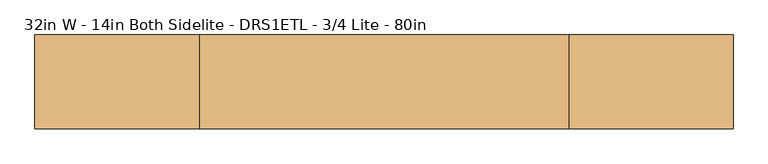
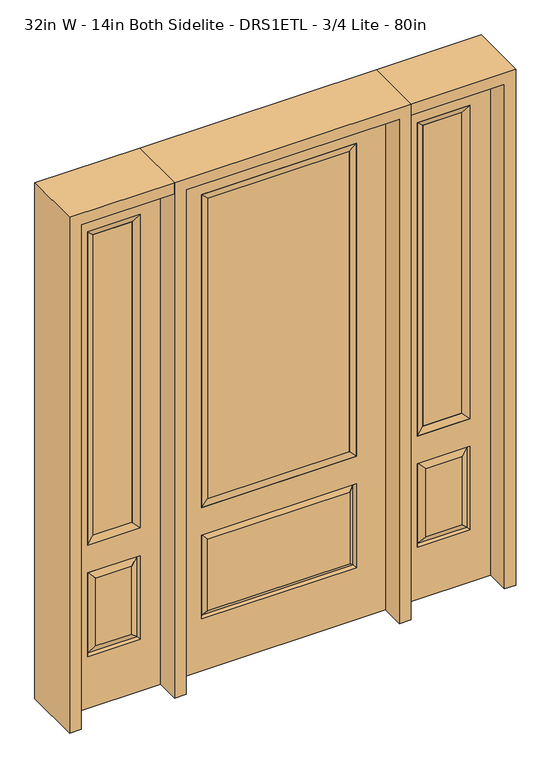
"""IFC4 building model written with IfcOpenShell, lengths in millimetres: door geometry, 32in W - 14in Both Sidelite - DRS1ETL - 3/4 Lite - 80in."""

from ifc_helpers import new_model, si_unit, frame, origin, place, context, project, spatial, polyline, outline, extrude, faceted_brep, source, transform, mapped, element, save


def door_32in_w_14in_both_sidelite_drs1etl_3_4_lite_80in_7dba1b9e(model_context):
    return source(origin(), model_context, "Body", "SolidModel", [
        faceted_brep([(450.85, -22.225, 0.0), (806.45, -22.225, 0.0), (806.45, -22.225, 2032.0), (450.85, -22.225, 2032.0), (728.98, -22.225, 1919.224), (728.98, -22.225, 657.098), (528.32, -22.225, 657.098), (528.32, -22.225, 1919.224), (728.98, -22.225, 209.55), (528.32, -22.225, 209.55), (528.32, -22.225, 546.1), (728.98, -22.225, 546.1), (560.0351001, -22.225, 241.2651001), (697.2648999, -22.225, 241.2651001), (697.2648999, -22.225, 514.3848999), (560.0351001, -22.225, 514.3848999), (450.85, 22.225, 0.0), (450.85, 22.225, 2032.0), (806.45, 22.225, 2032.0), (806.45, 22.225, 0.0), (728.98, 22.225, 1919.224), (528.32, 22.225, 1919.224), (528.32, 22.225, 657.098), (728.98, 22.225, 657.098), (528.32, 22.225, 209.55), (728.98, 22.225, 209.55), (728.98, 22.225, 546.1), (528.32, 22.225, 546.1), (697.2648999, 22.225, 241.2651001), (560.0351001, 22.225, 241.2651001), (560.0351001, 22.225, 514.3848999), (697.2648999, 22.225, 514.3848999), (721.8711499, 12.7912373, 216.6588501), (535.4288501, 12.7912373, 216.6588501), (535.4288501, 12.7912373, 538.9911499), (721.8711499, 12.7912373, 538.9911499), (535.4288501, -12.7912373, 216.6588501), (721.8711499, -12.7912373, 216.6588501), (535.4288501, -12.7912373, 538.9911499), (721.8711499, -12.7912373, 538.9911499)], [[[0, 1, 2, 3], [4, 5, 6, 7], [8, 9, 10, 11]], [[12, 13, 14, 15]], [[16, 17, 18, 19], [20, 21, 22, 23], [24, 25, 26, 27]], [[28, 29, 30, 31]], [[1, 0, 16, 19]], [[2, 1, 19, 18]], [[3, 2, 18, 17]], [[0, 3, 17, 16]], [[5, 4, 20, 23]], [[6, 5, 23, 22]], [[7, 6, 22, 21]], [[4, 7, 21, 20]], [[32, 33, 29, 28]], [[33, 32, 25, 24]], [[29, 33, 34, 30]], [[33, 24, 27, 34]], [[30, 34, 35, 31]], [[34, 27, 26, 35]], [[32, 28, 31, 35]], [[25, 32, 35, 26]], [[12, 36, 37, 13]], [[37, 36, 9, 8]], [[36, 12, 15, 38]], [[9, 36, 38, 10]], [[38, 15, 14, 39]], [[10, 38, 39, 11]], [[13, 37, 39, 14]], [[37, 8, 11, 39]]]),
        faceted_brep([(528.32, 22.225, 1919.224), (528.32, -22.225, 1919.224), (728.98, -22.225, 1919.224), (728.98, 22.225, 1919.224), (553.72, 12.7, 1893.824), (703.58, 12.7, 1893.824), (553.72, -12.7, 1893.824), (703.58, -12.7, 1893.824), (728.98, -22.225, 657.098), (728.98, 22.225, 657.098), (703.58, 12.7, 682.498), (703.58, -12.7, 682.498), (528.32, -22.225, 657.098), (528.32, 22.225, 657.098), (553.72, 12.7, 682.498), (553.72, -12.7, 682.498)], [[[0, 1, 2, 3]], [[4, 0, 3, 5]], [[6, 4, 5, 7]], [[1, 6, 7, 2]], [[3, 2, 8, 9]], [[5, 3, 9, 10]], [[7, 5, 10, 11]], [[2, 7, 11, 8]], [[9, 8, 12, 13]], [[10, 9, 13, 14]], [[11, 10, 14, 15]], [[8, 11, 15, 12]], [[13, 12, 1, 0]], [[14, 13, 0, 4]], [[15, 14, 4, 6]], [[12, 15, 6, 1]]]),
        extrude(outline(polyline([(703.58, -12.7), (553.72, -12.7), (553.72, 12.7), (703.58, 12.7), (703.58, -12.7)])), frame((0.0, 0.0, 682.498), z_axis=(0.0, 0.0, 1.0), x_axis=(1.0, 0.0, 0.0)), (0.0, 0.0, 1.0), 1211.326),
        faceted_brep([(-806.45, -22.225, 0.0), (-450.85, -22.225, 0.0), (-450.85, -22.225, 2032.0), (-806.45, -22.225, 2032.0), (-528.32, -22.225, 1919.224), (-528.32, -22.225, 657.098), (-728.98, -22.225, 657.098), (-728.98, -22.225, 1919.224), (-528.32, -22.225, 209.55), (-728.98, -22.225, 209.55), (-728.98, -22.225, 546.1), (-528.32, -22.225, 546.1), (-697.2648999, -22.225, 241.2651001), (-560.0351001, -22.225, 241.2651001), (-560.0351001, -22.225, 514.3848999), (-697.2648999, -22.225, 514.3848999), (-806.45, 22.225, 0.0), (-806.45, 22.225, 2032.0), (-450.85, 22.225, 2032.0), (-450.85, 22.225, 0.0), (-528.32, 22.225, 1919.224), (-728.98, 22.225, 1919.224), (-728.98, 22.225, 657.098), (-528.32, 22.225, 657.098), (-728.98, 22.225, 209.55), (-528.32, 22.225, 209.55), (-528.32, 22.225, 546.1), (-728.98, 22.225, 546.1), (-560.0351001, 22.225, 241.2651001), (-697.2648999, 22.225, 241.2651001), (-697.2648999, 22.225, 514.3848999), (-560.0351001, 22.225, 514.3848999), (-535.4288501, 12.7912373, 216.6588501), (-721.8711499, 12.7912373, 216.6588501), (-721.8711499, 12.7912373, 538.9911499), (-535.4288501, 12.7912373, 538.9911499), (-721.8711499, -12.7912373, 216.6588501), (-535.4288501, -12.7912373, 216.6588501), (-721.8711499, -12.7912373, 538.9911499), (-535.4288501, -12.7912373, 538.9911499)], [[[0, 1, 2, 3], [4, 5, 6, 7], [8, 9, 10, 11]], [[12, 13, 14, 15]], [[16, 17, 18, 19], [20, 21, 22, 23], [24, 25, 26, 27]], [[28, 29, 30, 31]], [[1, 0, 16, 19]], [[2, 1, 19, 18]], [[3, 2, 18, 17]], [[0, 3, 17, 16]], [[5, 4, 20, 23]], [[6, 5, 23, 22]], [[7, 6, 22, 21]], [[4, 7, 21, 20]], [[32, 33, 29, 28]], [[33, 32, 25, 24]], [[29, 33, 34, 30]], [[33, 24, 27, 34]], [[30, 34, 35, 31]], [[34, 27, 26, 35]], [[32, 28, 31, 35]], [[25, 32, 35, 26]], [[12, 36, 37, 13]], [[37, 36, 9, 8]], [[36, 12, 15, 38]], [[9, 36, 38, 10]], [[38, 15, 14, 39]], [[10, 38, 39, 11]], [[13, 37, 39, 14]], [[37, 8, 11, 39]]]),
        faceted_brep([(-728.98, 22.225, 1919.224), (-728.98, -22.225, 1919.224), (-528.32, -22.225, 1919.224), (-528.32, 22.225, 1919.224), (-703.58, 12.7, 1893.824), (-553.72, 12.7, 1893.824), (-703.58, -12.7, 1893.824), (-553.72, -12.7, 1893.824), (-528.32, -22.225, 657.098), (-528.32, 22.225, 657.098), (-553.72, 12.7, 682.498), (-553.72, -12.7, 682.498), (-728.98, -22.225, 657.098), (-728.98, 22.225, 657.098), (-703.58, 12.7, 682.498), (-703.58, -12.7, 682.498)], [[[0, 1, 2, 3]], [[4, 0, 3, 5]], [[6, 4, 5, 7]], [[1, 6, 7, 2]], [[3, 2, 8, 9]], [[5, 3, 9, 10]], [[7, 5, 10, 11]], [[2, 7, 11, 8]], [[9, 8, 12, 13]], [[10, 9, 13, 14]], [[11, 10, 14, 15]], [[8, 11, 15, 12]], [[13, 12, 1, 0]], [[14, 13, 0, 4]], [[15, 14, 4, 6]], [[12, 15, 6, 1]]]),
        extrude(outline(polyline([(-553.72, -12.7), (-703.58, -12.7), (-703.58, 12.7), (-553.72, 12.7), (-553.72, -12.7)])), frame((0.0, 0.0, 682.498), z_axis=(0.0, 0.0, 1.0), x_axis=(1.0, 0.0, 0.0)), (0.0, 0.0, 1.0), 1211.326),
        faceted_brep([(-288.1661499, -12.7912373, 216.6588501), (288.1661499, -12.7912373, 216.6588501), (270.66875, -22.225, 234.15625), (-270.66875, -22.225, 234.15625), (-295.275, -22.225, 209.55), (295.275, -22.225, 209.55), (-288.1661499, -12.7912373, 538.9911499), (-295.275, -22.225, 546.1), (270.66875, -22.225, 521.49375), (-270.66875, -22.225, 521.49375), (406.4, -22.225, 2032.0), (-406.4, -22.225, 2032.0), (-406.4, -22.225, 0.0), (406.4, -22.225, 0.0), (295.275, -22.225, 546.1), (295.275, -22.225, 1917.7), (295.275, -22.225, 657.098), (-295.275, -22.225, 657.098), (-295.275, -22.225, 1917.7), (288.1661499, -12.7912373, 538.9911499), (-406.4, 22.225, 2032.0), (-406.4, 22.225, 0.0), (406.4, 22.225, 0.0), (406.4, 22.225, 2032.0), (295.275, 22.225, 1917.7), (295.275, 22.225, 657.098), (-295.275, 22.225, 657.098), (-295.275, 22.225, 1917.7), (-295.275, 22.225, 209.55), (295.275, 22.225, 209.55), (295.275, 22.225, 546.1), (-295.275, 22.225, 546.1), (270.66875, 22.225, 234.15625), (-270.66875, 22.225, 234.15625), (-270.66875, 22.225, 521.49375), (270.66875, 22.225, 521.49375), (-288.1661499, 12.7912373, 216.6588501), (288.1661499, 12.7912373, 216.6588501), (288.1661499, 12.7912373, 538.9911499), (-288.1661499, 12.7912373, 538.9911499)], [[[0, 1, 2, 3]], [[1, 0, 4, 5]], [[4, 0, 6, 7]], [[3, 2, 8, 9]], [[10, 11, 12, 13], [5, 4, 7, 14], [15, 16, 17, 18]], [[1, 5, 14, 19]], [[2, 1, 19, 8]], [[0, 3, 9, 6]], [[7, 6, 19, 14]], [[6, 9, 8, 19]], [[12, 11, 20, 21]], [[13, 12, 21, 22]], [[10, 13, 22, 23]], [[16, 15, 24, 25]], [[17, 16, 25, 26]], [[18, 17, 26, 27]], [[23, 22, 21, 20], [28, 29, 30, 31], [24, 27, 26, 25]], [[32, 33, 34, 35]], [[28, 36, 37, 29]], [[29, 37, 38, 30]], [[39, 31, 30, 38]], [[36, 28, 31, 39]], [[37, 36, 33, 32]], [[33, 36, 39, 34]], [[34, 39, 38, 35]], [[37, 32, 35, 38]], [[11, 10, 23, 20]], [[15, 18, 27, 24]]]),
        faceted_brep([(-295.275, -22.225, 1917.7), (-295.275, 22.225, 1917.7), (-295.275, 22.225, 657.098), (-295.275, -22.225, 657.098), (295.275, 22.225, 657.098), (295.275, -22.225, 657.098), (-269.875, 5.08, 682.498), (269.875, 5.08, 682.498), (295.275, 22.225, 1917.7), (295.275, -22.225, 1917.7), (-269.875, -20.32, 682.498), (269.875, -20.32, 682.498), (-269.875, -20.32, 1892.3), (269.875, -20.32, 1892.3), (-269.875, 5.08, 1892.3), (269.875, 5.08, 1892.3)], [[[0, 1, 2, 3]], [[3, 2, 4, 5]], [[2, 6, 7, 4]], [[5, 4, 8, 9]], [[10, 3, 5, 11]], [[12, 0, 3, 10]], [[11, 5, 9, 13]], [[6, 10, 11, 7]], [[14, 12, 10, 6]], [[7, 11, 13, 15]], [[1, 14, 6, 2]], [[4, 7, 15, 8]], [[9, 8, 1, 0]], [[13, 9, 0, 12]], [[15, 13, 12, 14]], [[8, 15, 14, 1]]]),
        extrude(outline(polyline([(269.875, -20.32), (-269.875, -20.32), (-269.875, 5.08), (269.875, 5.08), (269.875, -20.32)])), frame((0.0, 0.0, 682.498), z_axis=(0.0, 0.0, 1.0), x_axis=(1.0, 0.0, 0.0)), (0.0, 0.0, 1.0), 1209.802),
        extrude(outline(polyline([(2032.0, -450.85), (2076.45, -450.85), (2076.45, -850.9), (0.0, -850.9), (0.0, -806.45), (2032.0, -806.45), (2032.0, -450.85)])), frame((0.0, -114.3, 0.0), z_axis=(0.0, 1.0, 0.0), x_axis=(0.0, 0.0, 1.0)), (0.0, 0.0, 1.0), 228.6),
        extrude(outline(polyline([(2076.45, -450.85), (0.0, -450.85), (0.0, -406.4), (2032.0, -406.4), (2032.0, 406.4), (0.0, 406.4), (0.0, 450.85), (2076.45, 450.85), (2076.45, -450.85)])), frame((0.0, -114.3, 0.0), z_axis=(0.0, 1.0, 0.0), x_axis=(0.0, 0.0, 1.0)), (0.0, 0.0, 1.0), 228.6),
        extrude(outline(polyline([(0.0, 806.45), (0.0, 850.9), (2076.45, 850.9), (2076.45, 450.85), (2032.0, 450.85), (2032.0, 806.45), (0.0, 806.45)])), frame((0.0, -114.3, 0.0), z_axis=(0.0, 1.0, 0.0), x_axis=(0.0, 0.0, 1.0)), (0.0, 0.0, 1.0), 228.6),
    ])


if __name__ == "__main__":
    model = new_model("IFC4")
    model_context = context("Model", 3, world=origin())
    ifc_project = project(units=[si_unit("LENGTHUNIT", "METRE", prefix="MILLI")], contexts=[model_context])
    site = spatial("IfcSite", under=ifc_project)
    building = spatial("IfcBuilding", under=site)
    placement = place(None, origin())
    door_32in_w_14in_both_sidelite_drs1etl_3_4_lite_80in_shape = door_32in_w_14in_both_sidelite_drs1etl_3_4_lite_80in_7dba1b9e(model_context)
    element("IfcDoor", 1, ObjectType="32in W - 14in Both Sidelite - DRS1ETL - 3/4 Lite - 80in", at=placement, inside=building, context=model_context, shape_type="MappedRepresentation", body=[
        mapped(door_32in_w_14in_both_sidelite_drs1etl_3_4_lite_80in_shape, transform((0.0, 0.0, 0.0), x_axis=(1.0, 0.0, 0.0), y_axis=(0.0, 1.0, 0.0), z_axis=(0.0, 0.0, 1.0))),
    ])
    save(model, "model.ifc")
